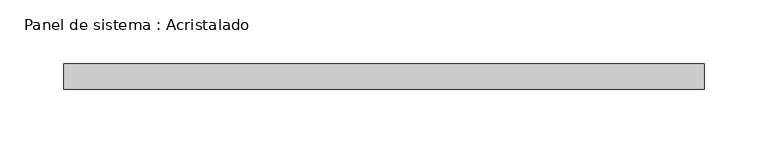
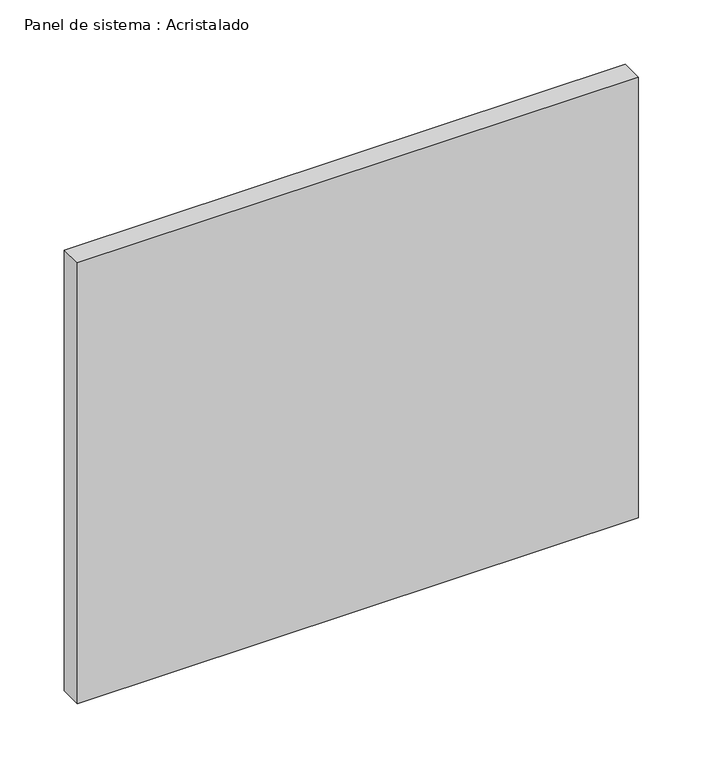
"""IFC4 building model written with IfcOpenShell, lengths in millimetres: plate geometry, Panel de sistema : Acristalado."""

from ifc_helpers import new_model, si_unit, origin, origin_with_axes, place, context, project, spatial, polyline, outline, extrude, source, transform, mapped, element, save


def panel_de_sistema_acristalado_39952654(model_context):
    return source(origin(), model_context, "Body", "SweptSolid", [
        extrude(outline(polyline([(251.5, -10.0), (-251.5, -10.0), (-251.5, 10.0), (251.5, 10.0), (251.5, -10.0)])), origin_with_axes(), (0.0, 0.0, 1.0), 417.7452144),
    ])


if __name__ == "__main__":
    model = new_model("IFC4")
    model_context = context("Model", 3, world=origin())
    ifc_project = project(units=[si_unit("LENGTHUNIT", "METRE", prefix="MILLI")], contexts=[model_context])
    site = spatial("IfcSite", under=ifc_project)
    building = spatial("IfcBuilding", under=site)
    placement = place(None, origin())
    panel_de_sistema_acristalado_shape = panel_de_sistema_acristalado_39952654(model_context)
    element("IfcPlate", 1, ObjectType="Panel de sistema : Acristalado", at=placement, inside=building, context=model_context, shape_type="MappedRepresentation", body=[
        mapped(panel_de_sistema_acristalado_shape, transform((0.0, 0.0, 0.0), x_axis=(1.0, 0.0, 0.0), y_axis=(0.0, 1.0, 0.0), z_axis=(0.0, 0.0, 1.0))),
    ])
    save(model, "model.ifc")
